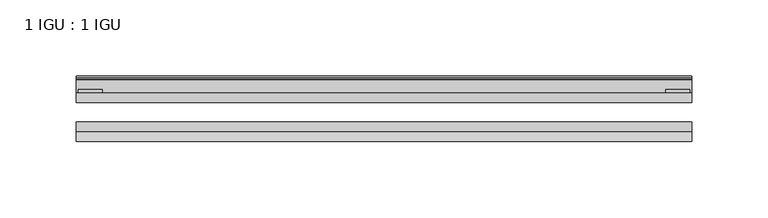
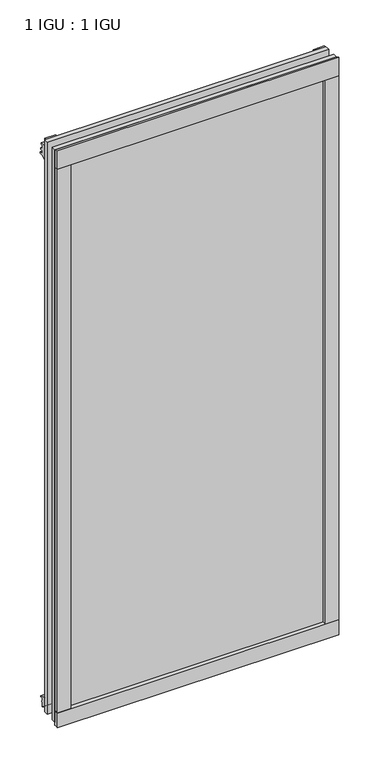
"""IFC4 building model written with IfcOpenShell, lengths in millimetres: plate geometry, 1 IGU : 1 IGU."""

from ifc_helpers import new_model, si_unit, point, frame, frame_2d, origin, place, context, project, spatial, polyline, circle_curve, trimmed, segment, composite_curve, outline, extrude, source, transform, mapped, element, save


def plate_1_igu_1_igu_edcf8883(model_context):
    return source(origin(), model_context, "Body", "SweptSolid", [
        extrude(outline(polyline([(201.856492, 0.0021347), (201.856492, -6.2992), (-201.856492, -6.2992), (-201.856492, 0.0021347), (201.856492, 0.0021347)])), frame((0.0, 0.0, -17.4498), z_axis=(0.0, 0.0, 1.0), x_axis=(1.0, 0.0, 0.0)), (0.0, 0.0, 1.0), 868.3366072),
        extrude(outline(polyline([(-201.856492, -19.0986653), (201.856492, -19.0986653), (201.856492, -25.3978653), (-201.856492, -25.3978653), (-201.856492, -19.0986653)])), frame((0.0, 0.0, -17.4498), z_axis=(0.0, 0.0, 1.0), x_axis=(1.0, 0.0, 0.0)), (0.0, 0.0, 1.0), 868.3366072),
        extrude(outline(composite_curve([segment(polyline([(-31.75, 0.0), (-25.4, 0.0), (-25.4, -22.225)]), True, "CONTINUOUS"), segment(trimmed(circle_curve(frame_2d((-28.575, -28.9113452)), 7.4018806), [point((-25.4, -22.225))], [point((-31.75, -22.225))], True, "CARTESIAN"), True, "CONTINUOUS"), segment(polyline([(-31.75, -22.225), (-31.75, 0.0)]), True, "CONTINUOUS")], self_intersect=False)), frame((-201.856492, 0.0, 0.0), z_axis=(1.0, 0.0, 0.0), x_axis=(0.0, 1.0, 0.0)), (0.0, 0.0, 1.0), 403.712984),
        extrude(outline(composite_curve([segment(trimmed(circle_curve(frame_2d((13.6593785, 32.4202472)), 31.3046461), [point((0.0, 4.2528503))], [point((9.3980339, 1.406995))], True, "CARTESIAN"), True, "CONTINUOUS"), segment(polyline([(9.3980339, 1.406995), (9.3980339, 0.0254), (6.35, 0.0254), (6.35, -5.1625788), (7.7309478, -5.3970663), (6.35, -8.0073788), (6.35, -11.8471127)]), True, "CONTINUOUS"), segment(trimmed(circle_curve(frame_2d((5.334, -11.8471127)), 1.016), [point((6.35, -11.8471127))], [point((4.6284878, -12.5782136))], False, "CARTESIAN"), True, "CONTINUOUS"), segment(trimmed(circle_curve(frame_2d((-23.3689302, -41.5910901)), 40.3187601), [point((4.6284878, -12.5782136))], [point((0.0, -8.735413))], True, "CARTESIAN"), True, "CONTINUOUS"), segment(polyline([(0.0, -8.735413), (0.0, 4.2528503)]), True, "CONTINUOUS")], self_intersect=False)), frame((-201.856492, 0.0, 0.0), z_axis=(1.0, 0.0, 0.0), x_axis=(0.0, 1.0, 0.0)), (0.0, 0.0, 1.0), 403.712984),
        extrude(outline(composite_curve([segment(polyline([(8.509, 840.7300284), (8.509, 838.6980284), (6.35, 838.6980284), (6.35, 833.3640284), (8.9492698, 833.3640284)]), True, "CONTINUOUS"), segment(trimmed(circle_curve(frame_2d((8.208689, 831.8368072)), 1.697311), [point((8.9492698, 833.3640284))], [point((8.962411, 830.3160284))], False, "CARTESIAN"), True, "CONTINUOUS"), segment(polyline([(8.962411, 830.3160284), (6.35, 830.3160284), (6.35, 825.4868072), (11.1252, 825.4868072), (11.1252, 824.5978072)]), True, "CONTINUOUS"), segment(trimmed(circle_curve(frame_2d((10.1092, 824.5978072)), 1.016), [point((11.1252, 824.5978072))], [point((10.1092, 823.5818072))], False, "CARTESIAN"), True, "CONTINUOUS"), segment(trimmed(circle_curve(frame_2d((10.1092, 804.1707318)), 19.4110754), [point((10.1092, 823.5818072))], [point((0.0, 820.7416075))], True, "CARTESIAN"), True, "CONTINUOUS"), segment(polyline([(0.0, 820.7416075), (0.0, 840.7300284), (8.509, 840.7300284)]), True, "CONTINUOUS")], self_intersect=False)), frame((-201.856492, 0.0, 0.0), z_axis=(1.0, 0.0, 0.0), x_axis=(0.0, 1.0, 0.0)), (0.0, 0.0, 1.0), 403.712984),
        extrude(outline(composite_curve([segment(polyline([(-25.4, 850.8868072), (-25.4, 825.4868072), (-31.75, 825.4868072), (-31.75, 853.6597045)]), True, "CONTINUOUS"), segment(trimmed(circle_curve(frame_2d((-24.1401272, 862.4292187)), 11.6109665), [point((-31.75, 853.6597045))], [point((-25.4, 850.8868072))], True, "CARTESIAN"), True, "CONTINUOUS")], self_intersect=False)), frame((-201.856492, 0.0, 0.0), z_axis=(1.0, 0.0, 0.0), x_axis=(0.0, 1.0, 0.0)), (0.0, 0.0, 1.0), 403.712984),
        extrude(outline(composite_curve([segment(polyline([(182.806492, -25.4), (201.856492, -25.4)]), True, "CONTINUOUS"), segment(trimmed(circle_curve(frame_2d((211.3226427, -28.575)), 9.9844196), [point((201.856492, -25.4))], [point((201.856492, -31.75))], True, "CARTESIAN"), True, "CONTINUOUS"), segment(polyline([(201.856492, -31.75), (182.806492, -31.75), (182.806492, -25.4)]), True, "CONTINUOUS")], self_intersect=False)), frame((0.0, 0.0, -17.4498), z_axis=(0.0, 0.0, 1.0), x_axis=(1.0, 0.0, 0.0)), (0.0, 0.0, 1.0), 868.3366072),
        extrude(outline(polyline([(200.649992, 2.2860088), (200.649992, 0.0021347), (184.774992, 0.0021347), (184.774992, 2.2860088), (200.649992, 2.2860088)])), frame((0.0, 0.0, -17.4498), z_axis=(0.0, 0.0, 1.0), x_axis=(1.0, 0.0, 0.0)), (0.0, 0.0, 1.0), 868.3366072),
        extrude(outline(composite_curve([segment(trimmed(circle_curve(frame_2d((-211.3226427, -28.575)), 9.9844196), [point((-201.856492, -31.75))], [point((-201.856492, -25.4))], True, "CARTESIAN"), True, "CONTINUOUS"), segment(polyline([(-201.856492, -25.4), (-182.806492, -25.4), (-182.806492, -31.75), (-201.856492, -31.75)]), True, "CONTINUOUS")], self_intersect=False)), frame((0.0, 0.0, -17.4498), z_axis=(0.0, 0.0, 1.0), x_axis=(1.0, 0.0, 0.0)), (0.0, 0.0, 1.0), 868.3366072),
        extrude(outline(polyline([(-200.649992, 0.0), (-200.649992, 2.286), (-184.774992, 2.286), (-184.774992, 0.0), (-200.649992, 0.0)])), frame((0.0, 0.0, -17.4498), z_axis=(0.0, 0.0, 1.0), x_axis=(1.0, 0.0, 0.0)), (0.0, 0.0, 1.0), 868.3366072),
    ])


if __name__ == "__main__":
    model = new_model("IFC4")
    model_context = context("Model", 3, world=origin())
    ifc_project = project(units=[si_unit("LENGTHUNIT", "METRE", prefix="MILLI")], contexts=[model_context])
    site = spatial("IfcSite", under=ifc_project)
    building = spatial("IfcBuilding", under=site)
    placement = place(None, origin())
    plate_1_igu_1_igu_shape = plate_1_igu_1_igu_edcf8883(model_context)
    element("IfcPlate", 1, ObjectType="1 IGU : 1 IGU", at=placement, inside=building, context=model_context, shape_type="MappedRepresentation", body=[
        mapped(plate_1_igu_1_igu_shape, transform((0.0, 0.0, 0.0), x_axis=(1.0, 0.0, 0.0), y_axis=(0.0, 1.0, 0.0), z_axis=(0.0, 0.0, 1.0))),
    ])
    save(model, "model.ifc")
